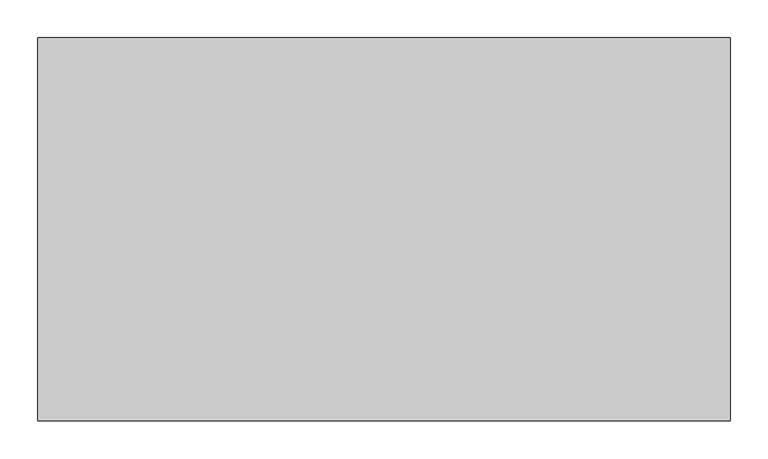
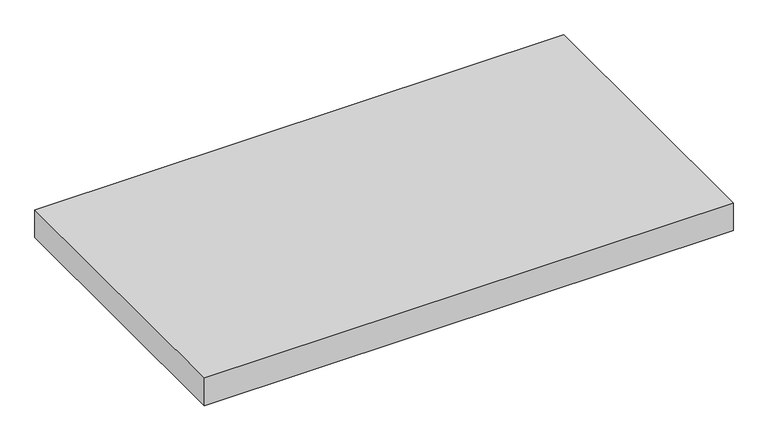
"""IFC4 building model written with IfcOpenShell, lengths in millimetres: furniture geometry."""

from ifc_helpers import new_model, si_unit, frame, origin, place, context, project, spatial, polyline, outline, extrude, source, transform, mapped, element, save


def furniture_6eef79ca(model_context):
    return source(origin(), model_context, "Body", "SweptSolid", [
        extrude(outline(polyline([(912.7998, -548.7539634), (912.7998, -1053.7059634), (1.6002, -1053.7059634), (1.6002, -548.7539634), (912.7998, -548.7539634)])), frame((0.0, 0.0, 526.55724), z_axis=(0.0, 0.0, 1.0), x_axis=(1.0, 0.0, 0.0)), (0.0, 0.0, 1.0), 50.8),
    ])


if __name__ == "__main__":
    model = new_model("IFC4")
    model_context = context("Model", 3, world=origin())
    ifc_project = project(units=[si_unit("LENGTHUNIT", "METRE", prefix="MILLI")], contexts=[model_context])
    site = spatial("IfcSite", under=ifc_project)
    building = spatial("IfcBuilding", under=site)
    placement = place(None, origin())
    furniture_shape = furniture_6eef79ca(model_context)
    element("IfcFurniture", 1, at=placement, inside=building, context=model_context, shape_type="MappedRepresentation", body=[
        mapped(furniture_shape, transform((0.0, 0.0, 0.0), x_axis=(1.0, 0.0, 0.0), y_axis=(0.0, 1.0, 0.0), z_axis=(0.0, 0.0, 1.0))),
    ])
    save(model, "model.ifc")
